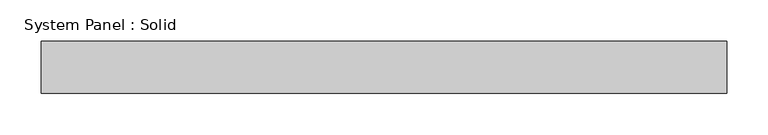
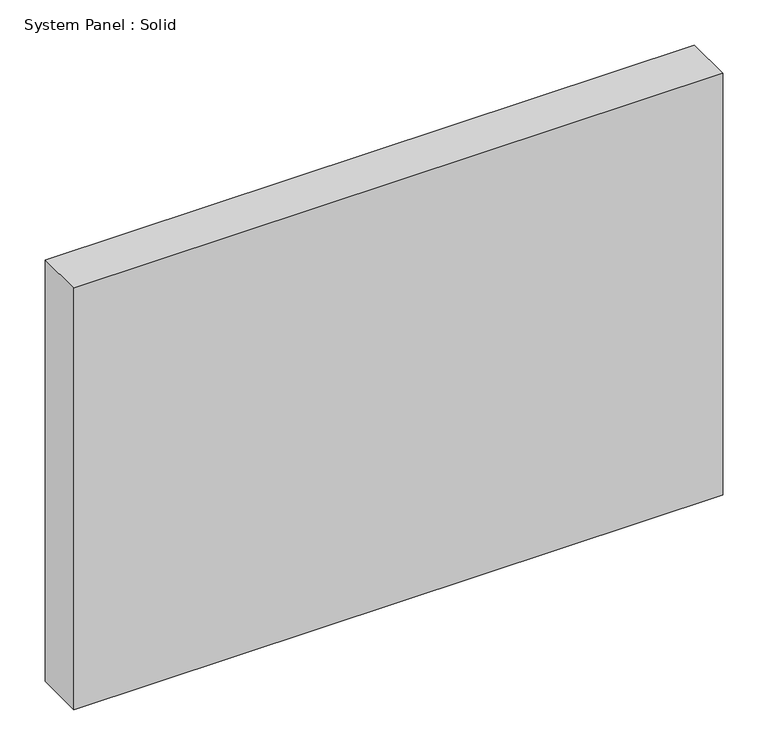
"""IFC4 building model written with IfcOpenShell, lengths in millimetres: plate geometry, System Panel : Solid."""

from ifc_helpers import new_model, si_unit, origin, origin_with_axes, place, context, project, spatial, polyline, outline, extrude, source, transform, mapped, element, save


def system_panel_solid_d09c6fe6(model_context):
    return source(origin(), model_context, "Body", "SweptSolid", [
        extrude(outline(polyline([(416.2895835, -19.05), (-416.2895835, -19.05), (-416.2895835, 44.45), (416.2895835, 44.45), (416.2895835, -19.05)])), origin_with_axes(), (0.0, 0.0, 1.0), 571.5),
    ])


if __name__ == "__main__":
    model = new_model("IFC4")
    model_context = context("Model", 3, world=origin())
    ifc_project = project(units=[si_unit("LENGTHUNIT", "METRE", prefix="MILLI")], contexts=[model_context])
    site = spatial("IfcSite", under=ifc_project)
    building = spatial("IfcBuilding", under=site)
    placement = place(None, origin())
    system_panel_solid_shape = system_panel_solid_d09c6fe6(model_context)
    element("IfcPlate", 1, ObjectType="System Panel : Solid", at=placement, inside=building, context=model_context, shape_type="MappedRepresentation", body=[
        mapped(system_panel_solid_shape, transform((0.0, 0.0, 0.0), x_axis=(1.0, 0.0, 0.0), y_axis=(0.0, 1.0, 0.0), z_axis=(0.0, 0.0, 1.0))),
    ])
    save(model, "model.ifc")
